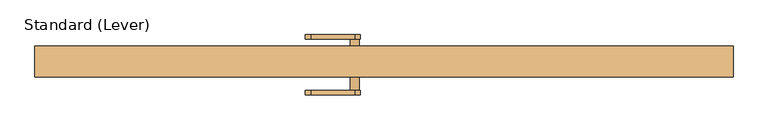
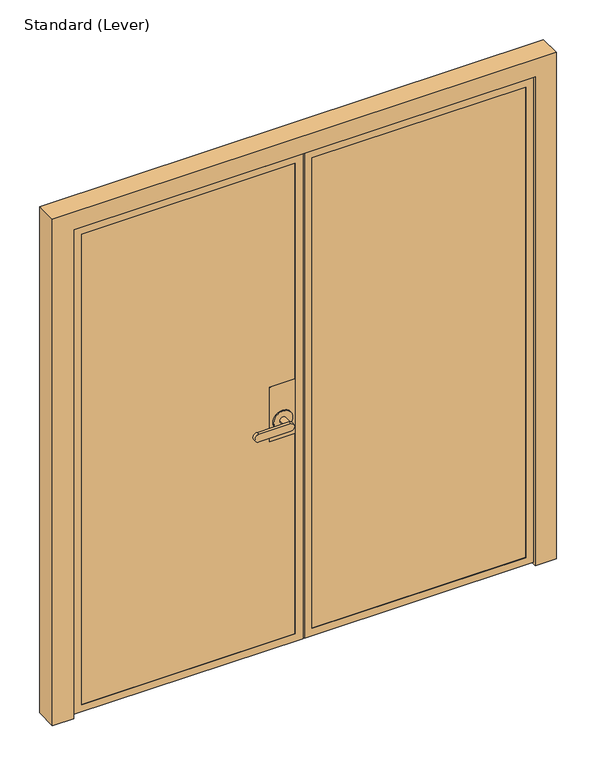
"""IFC4 building model written with IfcOpenShell, lengths in millimetres: door geometry, Standard (Lever)."""

from ifc_helpers import new_model, si_unit, frame, origin, place, context, project, spatial, polyline, circle_curve, outline, extrude, faceted_brep, source, transform, mapped, element, save
from ifc_brep_helpers import plane_surface, cylinder_surface, advanced_brep


def standard_lever_c51e9490(model_context):
    return source(origin(), model_context, "Body", "SolidModel", [
        advanced_brep(
        [(-349.25, 19.84375, 1117.6), (-450.85, 19.84375, 1117.6), (-450.85, -27.78125, 1117.6), (-349.25, -27.78125, 1117.6), (-349.25, 19.84375, 889.0), (-349.25, -27.78125, 889.0), (-450.85, -27.78125, 889.0), (-450.85, 19.84375, 889.0), (-361.95, 19.84375, 965.2), (-438.15, 19.84375, 965.2), (-387.35, 24.60625, 965.2), (-412.75, 24.60625, 965.2), (-412.75, 64.29375, 965.2), (-387.35, 64.29375, 965.2), (-361.95, 24.60625, 965.2), (-438.15, 24.60625, 965.2), (-400.05, 64.29375, 949.325), (-400.05, 64.29375, 981.075), (-527.05, 64.29375, 981.075), (-527.05, 64.29375, 949.325), (-400.05, 76.99375, 949.325), (-527.05, 76.99375, 949.325), (-527.05, 76.99375, 981.075), (-400.05, 76.99375, 981.075)],
        [
            (0, 1),
            (1, 2),
            (2, 3),
            (3, 0),
            (4, 5),
            (5, 6),
            (6, 7),
            (7, 4),
            (3, 5),
            (4, 0),
            (2, 6),
            (1, 7),
            (8, 9, circle_curve(frame((-400.05, 19.84375, 965.2), z_axis=(0.0, -1.0, 0.0), x_axis=(-1.0, 0.0, 0.0)), 38.1)),
            (9, 8, circle_curve(frame((-400.05, 19.84375, 965.2), z_axis=(0.0, -1.0, 0.0), x_axis=(-1.0, 0.0, 0.0)), 38.1)),
            (10, 11, circle_curve(frame((-400.05, 24.60625, 965.2), z_axis=(0.0, 1.0, 0.0), x_axis=(-1.0, 0.0, 0.0)), 12.7)),
            (11, 12),
            (12, 13, circle_curve(frame((-400.05, 64.29375, 965.2), z_axis=(0.0, -1.0, 0.0), x_axis=(-1.0, 0.0, 0.0)), 12.7)),
            (13, 10),
            (13, 12, circle_curve(frame((-400.05, 64.29375, 965.2), z_axis=(0.0, -1.0, 0.0), x_axis=(-1.0, 0.0, 0.0)), 12.7)),
            (11, 10, circle_curve(frame((-400.05, 24.60625, 965.2), z_axis=(0.0, 1.0, 0.0), x_axis=(-1.0, 0.0, 0.0)), 12.7)),
            (14, 15, circle_curve(frame((-400.05, 24.60625, 965.2), z_axis=(0.0, 1.0, 0.0), x_axis=(-1.0, 0.0, 0.0)), 38.1)),
            (15, 14, circle_curve(frame((-400.05, 24.60625, 965.2), z_axis=(0.0, 1.0, 0.0), x_axis=(-1.0, 0.0, 0.0)), 38.1)),
            (14, 8),
            (9, 15),
            (16, 17, circle_curve(frame((-400.05, 64.29375, 965.2), z_axis=(0.0, -1.0, 0.0), x_axis=(-1.0, 0.0, 0.0)), 15.875)),
            (17, 18),
            (18, 19, circle_curve(frame((-527.05, 64.29375, 965.2), z_axis=(0.0, -1.0, 0.0), x_axis=(-1.0, 0.0, 0.0)), 15.875)),
            (19, 16),
            (20, 21),
            (21, 22, circle_curve(frame((-527.05, 76.99375, 965.2), z_axis=(0.0, 1.0, 0.0), x_axis=(-1.0, 0.0, 0.0)), 15.875)),
            (22, 23),
            (23, 20, circle_curve(frame((-400.05, 76.99375, 965.2), z_axis=(0.0, 1.0, 0.0), x_axis=(-1.0, 0.0, 0.0)), 15.875)),
            (19, 21),
            (20, 16),
            (18, 22),
            (17, 23),
        ],
        [
            plane_surface(frame((-349.25, 87.0505478, 1117.6), z_axis=(0.0, 0.0, 1.0), x_axis=(0.0, -1.0, 0.0))),
            plane_surface(frame((-349.25, 87.0505478, 889.0), z_axis=(0.0, 0.0, -1.0), x_axis=(0.0, 1.0, 0.0))),
            plane_surface(frame((-349.25, 19.84375, 1117.6), z_axis=(1.0, 0.0, 0.0), x_axis=(0.0, 0.0, -1.0))),
            plane_surface(frame((-349.25, -27.78125, 1117.6), z_axis=(0.0, -1.0, 0.0), x_axis=(0.0, 0.0, -1.0))),
            plane_surface(frame((-450.85, -27.78125, 1117.6), z_axis=(-1.0, 0.0, 0.0), x_axis=(0.0, 0.0, -1.0))),
            plane_surface(frame((-450.85, 19.84375, 1117.6), z_axis=(0.0, 1.0, 0.0), x_axis=(0.0, 0.0, -1.0))),
            cylinder_surface(frame((-400.05, 64.29375, 965.2), z_axis=(0.0, -1.0, 0.0), x_axis=(-1.0, 0.0, 0.0)), 12.7),
            plane_surface(frame((-438.15, 24.60625, 965.2), z_axis=(0.0, 1.0, 0.0), x_axis=(0.0, 0.0, -1.0))),
            cylinder_surface(frame((-400.05, 24.60625, 965.2), z_axis=(0.0, -1.0, 0.0), x_axis=(-1.0, 0.0, 0.0)), 38.1),
            plane_surface(frame((-400.05, 64.29375, 949.325), z_axis=(0.0, -1.0, 0.0), x_axis=(-1.0, 0.0, 0.0))),
            plane_surface(frame((-400.05, 76.99375, 949.325), z_axis=(0.0, 1.0, 0.0), x_axis=(1.0, 0.0, 0.0))),
            plane_surface(frame((-400.05, 64.29375, 949.325), z_axis=(0.0, 0.0, -1.0), x_axis=(0.0, 1.0, 0.0))),
            cylinder_surface(frame((-527.05, 76.99375, 965.2), z_axis=(0.0, -1.0, 0.0), x_axis=(-1.0, 0.0, 0.0)), 15.875),
            plane_surface(frame((-527.05, 64.29375, 981.075), z_axis=(0.0, 0.0, 1.0), x_axis=(0.0, 1.0, 0.0))),
            cylinder_surface(frame((-400.05, 76.99375, 965.2), z_axis=(0.0, -1.0, 0.0), x_axis=(-1.0, 0.0, 0.0)), 15.875),
        ],
        [
            (0, [[1, 2, 3, 4]]),
            (1, [[5, 6, 7, 8]]),
            (2, [[9, -5, 10, -4]]),
            (3, [[11, -6, -9, -3]]),
            (4, [[12, -7, -11, -2]]),
            (5, [[-10, -8, -12, -1], [13, 14]]),
            (6, [[15, 16, 17, 18]]),
            (6, [[19, -16, 20, -18]]),
            (7, [[21, 22], [-20, -15]]),
            (8, [[23, -14, 24, -21]]),
            (8, [[-24, -13, -23, -22]]),
            (9, [[25, 26, 27, 28], [-19, -17]]),
            (10, [[29, 30, 31, 32]]),
            (11, [[33, -29, 34, -28]]),
            (12, [[35, -30, -33, -27]]),
            (13, [[36, -31, -35, -26]]),
            (14, [[-34, -32, -36, -25]]),
        ],
    ),
        advanced_brep(
        [(-349.25, -37.30625, 1117.6), (-450.85, -37.30625, 1117.6), (-450.85, -38.89375, 1117.6), (-349.25, -38.89375, 1117.6), (-349.25, -37.30625, 889.0), (-349.25, -38.89375, 889.0), (-450.85, -38.89375, 889.0), (-450.85, -37.30625, 889.0), (-361.95, -43.65625, 965.2), (-438.15, -43.65625, 965.2), (-412.75, -43.65625, 965.2), (-387.35, -43.65625, 965.2), (-438.15, -38.89375, 965.2), (-361.95, -38.89375, 965.2), (-387.35, -83.34375, 965.2), (-412.75, -83.34375, 965.2), (-527.05, -96.04375, 949.325), (-400.05, -96.04375, 949.325), (-400.05, -96.04375, 981.075), (-527.05, -96.04375, 981.075), (-527.05, -83.34375, 949.325), (-527.05, -83.34375, 981.075), (-400.05, -83.34375, 981.075), (-400.05, -83.34375, 949.325)],
        [
            (0, 1),
            (1, 2),
            (2, 3),
            (3, 0),
            (4, 5),
            (5, 6),
            (6, 7),
            (7, 4),
            (3, 5),
            (4, 0),
            (1, 7),
            (6, 2),
            (8, 9, circle_curve(frame((-400.05, -43.65625, 965.2), z_axis=(0.0, -1.0, 0.0), x_axis=(-1.0, 0.0, 0.0)), 38.1)),
            (9, 8, circle_curve(frame((-400.05, -43.65625, 965.2), z_axis=(0.0, -1.0, 0.0), x_axis=(-1.0, 0.0, 0.0)), 38.1)),
            (10, 11, circle_curve(frame((-400.05, -43.65625, 965.2), z_axis=(0.0, 1.0, 0.0), x_axis=(-1.0, 0.0, 0.0)), 12.7)),
            (11, 10, circle_curve(frame((-400.05, -43.65625, 965.2), z_axis=(0.0, 1.0, 0.0), x_axis=(-1.0, 0.0, 0.0)), 12.7)),
            (9, 12),
            (12, 13, circle_curve(frame((-400.05, -38.89375, 965.2), z_axis=(0.0, -1.0, 0.0), x_axis=(-1.0, 0.0, 0.0)), 38.1)),
            (13, 8),
            (13, 12, circle_curve(frame((-400.05, -38.89375, 965.2), z_axis=(0.0, -1.0, 0.0), x_axis=(-1.0, 0.0, 0.0)), 38.1)),
            (14, 15, circle_curve(frame((-400.05, -83.34375, 965.2), z_axis=(0.0, 1.0, 0.0), x_axis=(-1.0, 0.0, 0.0)), 12.7)),
            (15, 10),
            (11, 14),
            (15, 14, circle_curve(frame((-400.05, -83.34375, 965.2), z_axis=(0.0, 1.0, 0.0), x_axis=(-1.0, 0.0, 0.0)), 12.7)),
            (16, 17),
            (17, 18, circle_curve(frame((-400.05, -96.04375, 965.2), z_axis=(0.0, -1.0, 0.0), x_axis=(-1.0, 0.0, 0.0)), 15.875)),
            (18, 19),
            (19, 16, circle_curve(frame((-527.05, -96.04375, 965.2), z_axis=(0.0, -1.0, 0.0), x_axis=(-1.0, 0.0, 0.0)), 15.875)),
            (20, 21, circle_curve(frame((-527.05, -83.34375, 965.2), z_axis=(0.0, 1.0, 0.0), x_axis=(-1.0, 0.0, 0.0)), 15.875)),
            (21, 22),
            (22, 23, circle_curve(frame((-400.05, -83.34375, 965.2), z_axis=(0.0, 1.0, 0.0), x_axis=(-1.0, 0.0, 0.0)), 15.875)),
            (23, 20),
            (19, 21),
            (20, 16),
            (18, 22),
            (17, 23),
        ],
        [
            plane_surface(frame((-349.25, 87.0505478, 1117.6), z_axis=(0.0, 0.0, 1.0), x_axis=(0.0, -1.0, 0.0))),
            plane_surface(frame((-349.25, 87.0505478, 889.0), z_axis=(0.0, 0.0, -1.0), x_axis=(0.0, 1.0, 0.0))),
            plane_surface(frame((-349.25, -37.30625, 1117.6), z_axis=(1.0, 0.0, 0.0), x_axis=(0.0, 0.0, -1.0))),
            plane_surface(frame((-450.85, -38.89375, 1117.6), z_axis=(-1.0, 0.0, 0.0), x_axis=(0.0, 0.0, -1.0))),
            plane_surface(frame((-450.85, -37.30625, 1117.6), z_axis=(0.0, 1.0, 0.0), x_axis=(0.0, 0.0, -1.0))),
            plane_surface(frame((-438.15, -43.65625, 965.2), z_axis=(0.0, -1.0, 0.0), x_axis=(0.0, 0.0, 1.0))),
            cylinder_surface(frame((-400.05, -38.89375, 965.2), z_axis=(0.0, -1.0, 0.0), x_axis=(-1.0, 0.0, 0.0)), 38.1),
            cylinder_surface(frame((-400.05, -40.48125, 965.2), z_axis=(0.0, -1.0, 0.0), x_axis=(-1.0, 0.0, 0.0)), 12.7),
            plane_surface(frame((-542.925, -96.04375, 965.2), z_axis=(0.0, -1.0, 0.0), x_axis=(0.0, 0.0, 1.0))),
            plane_surface(frame((-542.925, -83.34375, 965.2), z_axis=(0.0, 1.0, 0.0), x_axis=(0.0, 0.0, -1.0))),
            cylinder_surface(frame((-527.05, -83.34375, 965.2), z_axis=(0.0, -1.0, 0.0), x_axis=(-1.0, 0.0, 0.0)), 15.875),
            plane_surface(frame((-527.05, -96.04375, 981.075), z_axis=(0.0, 0.0, 1.0), x_axis=(0.0, 1.0, 0.0))),
            cylinder_surface(frame((-400.05, -83.34375, 965.2), z_axis=(0.0, -1.0, 0.0), x_axis=(-1.0, 0.0, 0.0)), 15.875),
            plane_surface(frame((-400.05, -96.04375, 949.325), z_axis=(0.0, 0.0, -1.0), x_axis=(0.0, 1.0, 0.0))),
            plane_surface(frame((-349.25, -38.89375, 1117.6), z_axis=(0.0, -1.0, 0.0), x_axis=(0.0, 0.0, -1.0))),
        ],
        [
            (0, [[1, 2, 3, 4]]),
            (1, [[5, 6, 7, 8]]),
            (2, [[9, -5, 10, -4]]),
            (3, [[11, -7, 12, -2]]),
            (4, [[-10, -8, -11, -1]]),
            (5, [[13, 14], [15, 16]]),
            (6, [[17, 18, 19, -14]]),
            (6, [[-19, 20, -17, -13]]),
            (7, [[21, 22, -16, 23]]),
            (7, [[-15, -22, 24, -23]]),
            (8, [[25, 26, 27, 28]]),
            (9, [[29, 30, 31, 32], [-24, -21]]),
            (10, [[33, -29, 34, -28]]),
            (11, [[35, -30, -33, -27]]),
            (12, [[36, -31, -35, -26]]),
            (13, [[-34, -32, -36, -25]]),
            (14, [[-12, -6, -9, -3], [-20, -18]]),
        ],
    ),
        faceted_brep([(-1201.7375, -27.78125, 2025.65), (-1201.7375, -27.78125, 42.8625), (-1201.7375, 19.84375, 42.8625), (-1201.7375, 19.84375, 2025.65), (-319.0875, 19.84375, 28.575), (-1216.025, 19.84375, 28.575), (-1216.025, 19.84375, 2039.9375), (-319.0875, 19.84375, 2039.9375), (-349.25, 19.84375, 42.8625), (-349.25, 19.84375, 2025.65), (-349.25, -27.78125, 42.8625), (-1214.4375, -27.78125, 30.1625), (-336.55, -27.78125, 30.1625), (-336.55, -27.78125, 2038.35), (-1214.4375, -27.78125, 2038.35), (-349.25, -27.78125, 2025.65), (-1214.4375, -37.30625, 2038.35), (-1214.4375, -37.30625, 30.1625), (-336.55, -37.30625, 30.1625), (-336.55, -37.30625, 2038.35), (-1201.7375, -37.30625, 42.8625), (-349.25, -37.30625, 42.8625), (-349.25, -37.30625, 2025.65), (-1201.7375, -37.30625, 2025.65), (-1201.7375, -38.89375, 2025.65), (-1201.7375, -38.89375, 42.8625), (-349.25, -38.89375, 42.8625), (-1231.9, -38.89375, 12.7), (-319.0875, -38.89375, 12.7), (-319.0875, -38.89375, 2055.8125), (-1231.9, -38.89375, 2055.8125), (-349.25, -38.89375, 2025.65), (-1231.9, 5.55625, 2055.8125), (-1231.9, 5.55625, 12.7), (-319.0875, 5.55625, 12.7), (-319.0875, 5.55625, 2055.8125), (-319.0875, 5.55625, 2039.9375), (-1216.025, 5.55625, 2039.9375), (-1216.025, 5.55625, 28.575), (-319.0875, 5.55625, 28.575)], [[[0, 1, 2, 3]], [[4, 5, 6, 7], [2, 8, 9, 3]], [[1, 10, 8, 2]], [[11, 12, 13, 14], [0, 15, 10, 1]], [[16, 17, 11, 14]], [[17, 18, 12, 11]], [[16, 19, 18, 17], [20, 21, 22, 23]], [[24, 25, 20, 23]], [[25, 26, 21, 20]], [[27, 28, 29, 30], [24, 31, 26, 25]], [[32, 33, 27, 30]], [[33, 34, 28, 27]], [[32, 35, 36, 37, 38, 39, 34, 33]], [[9, 8, 10, 15]], [[13, 12, 18, 19]], [[22, 21, 26, 31]], [[29, 28, 34, 39, 4, 7, 36, 35]], [[4, 39, 38, 5]], [[5, 38, 37, 6]], [[3, 9, 15, 0]], [[14, 13, 19, 16]], [[23, 22, 31, 24]], [[30, 29, 35, 32]], [[6, 37, 36, 7]]]),
        faceted_brep([(584.2, 19.84375, 28.575), (584.2, 5.55625, 28.575), (-312.7375, 5.55625, 28.575), (-312.7375, 19.84375, 28.575), (600.075, -38.89375, 2055.8125), (600.075, -38.89375, 12.7), (600.075, 5.55625, 12.7), (600.075, 5.55625, 2055.8125), (-312.7375, 5.55625, 12.7), (584.2, 5.55625, 2039.9375), (-312.7375, 5.55625, 2039.9375), (-312.7375, 5.55625, 2055.8125), (-312.7375, -38.89375, 12.7), (-312.7375, -38.89375, 2055.8125), (569.9125, -38.89375, 42.8625), (-282.575, -38.89375, 42.8625), (-282.575, -38.89375, 2025.65), (569.9125, -38.89375, 2025.65), (569.9125, -37.30625, 2025.65), (569.9125, -37.30625, 42.8625), (-282.575, -37.30625, 42.8625), (582.6125, -37.30625, 30.1625), (-295.275, -37.30625, 30.1625), (-295.275, -37.30625, 2038.35), (582.6125, -37.30625, 2038.35), (-282.575, -37.30625, 2025.65), (582.6125, -27.78125, 2038.35), (582.6125, -27.78125, 30.1625), (-295.275, -27.78125, 30.1625), (-295.275, -27.78125, 2038.35), (569.9125, -27.78125, 42.8625), (-282.575, -27.78125, 42.8625), (-282.575, -27.78125, 2025.65), (569.9125, -27.78125, 2025.65), (569.9125, 19.84375, 2025.65), (569.9125, 19.84375, 42.8625), (-282.575, 19.84375, 42.8625), (-312.7375, 19.84375, 2039.9375), (584.2, 19.84375, 2039.9375), (-282.575, 19.84375, 2025.65)], [[[0, 1, 2, 3]], [[4, 5, 6, 7]], [[6, 8, 2, 1, 9, 10, 11, 7]], [[5, 12, 8, 6]], [[4, 13, 12, 5], [14, 15, 16, 17]], [[18, 19, 14, 17]], [[19, 20, 15, 14]], [[21, 22, 23, 24], [18, 25, 20, 19]], [[26, 27, 21, 24]], [[27, 28, 22, 21]], [[26, 29, 28, 27], [30, 31, 32, 33]], [[34, 35, 30, 33]], [[35, 36, 31, 30]], [[37, 38, 0, 3], [34, 39, 36, 35]], [[12, 13, 11, 10, 37, 3, 2, 8]], [[20, 25, 16, 15]], [[28, 29, 23, 22]], [[36, 39, 32, 31]], [[38, 9, 1, 0]], [[7, 11, 13, 4]], [[17, 16, 25, 18]], [[24, 23, 29, 26]], [[33, 32, 39, 34]], [[10, 9, 38, 37]]]),
        extrude(outline(polyline([(-295.275, -27.78125), (582.6125, -27.78125), (582.6125, -37.30625), (-295.275, -37.30625), (-295.275, -27.78125)])), frame((0.0, 0.0, 30.1625), z_axis=(0.0, 0.0, 1.0), x_axis=(1.0, 0.0, 0.0)), (0.0, 0.0, 1.0), 2008.1875),
        extrude(outline(polyline([(-336.55, -37.30625), (-1214.4375, -37.30625), (-1214.4375, -27.78125), (-336.55, -27.78125), (-336.55, -37.30625)])), frame((0.0, 0.0, 30.1625), z_axis=(0.0, 0.0, 1.0), x_axis=(1.0, 0.0, 0.0)), (0.0, 0.0, 1.0), 2008.1875),
        faceted_brep([(604.8375, 44.45, 0.0), (688.975, 44.45, 0.0), (688.975, -44.45, 0.0), (604.8375, -44.45, 0.0), (604.8375, 9.525, 0.0), (590.55, 9.525, 0.0), (590.55, 20.6375, 0.0), (604.8375, 20.6375, 0.0), (604.8375, 20.6375, 2060.575), (604.8375, 44.45, 2060.575), (590.55, 20.6375, 2046.2875), (-1222.375, 20.6375, 2046.2875), (-1222.375, 20.6375, 0.0), (-1236.6625, 20.6375, 0.0), (-1236.6625, 20.6375, 2060.575), (590.55, 9.525, 2046.2875), (604.8375, 9.525, 2060.575), (-1236.6625, 9.525, 2060.575), (-1236.6625, 9.525, 0.0), (-1222.375, 9.525, 0.0), (-1222.375, 9.525, 2046.2875), (604.8375, -44.45, 2060.575), (688.975, -44.45, 2133.6), (-1320.8, -44.45, 2133.6), (-1320.8, -44.45, 0.0), (-1236.6625, -44.45, 0.0), (-1236.6625, -44.45, 2060.575), (688.975, 44.45, 2133.6), (-1236.6625, 44.45, 2060.575), (-1236.6625, 44.45, 0.0), (-1320.8, 44.45, 0.0), (-1320.8, 44.45, 2133.6)], [[[0, 1, 2, 3, 4, 5, 6, 7]], [[7, 8, 9, 0]], [[6, 10, 11, 12, 13, 14, 8, 7]], [[5, 15, 10, 6]], [[4, 16, 17, 18, 19, 20, 15, 5]], [[3, 21, 16, 4]], [[2, 22, 23, 24, 25, 26, 21, 3]], [[1, 27, 22, 2]], [[0, 9, 28, 29, 30, 31, 27, 1]], [[29, 13, 12, 19, 18, 25, 24, 30]], [[24, 23, 31, 30]], [[17, 26, 25, 18]], [[12, 11, 20, 19]], [[29, 28, 14, 13]], [[31, 23, 22, 27]], [[14, 28, 9, 8]], [[15, 20, 11, 10]], [[21, 26, 17, 16]]]),
    ])


if __name__ == "__main__":
    model = new_model("IFC4")
    model_context = context("Model", 3, world=origin())
    ifc_project = project(units=[si_unit("LENGTHUNIT", "METRE", prefix="MILLI")], contexts=[model_context])
    site = spatial("IfcSite", under=ifc_project)
    building = spatial("IfcBuilding", under=site)
    placement = place(None, origin())
    standard_lever_shape = standard_lever_c51e9490(model_context)
    element("IfcDoor", 1, ObjectType="Standard (Lever)", at=placement, inside=building, context=model_context, shape_type="MappedRepresentation", body=[
        mapped(standard_lever_shape, transform((0.0, 0.0, 0.0), x_axis=(1.0, 0.0, 0.0), y_axis=(0.0, 1.0, 0.0), z_axis=(0.0, 0.0, 1.0))),
    ])
    save(model, "model.ifc")
